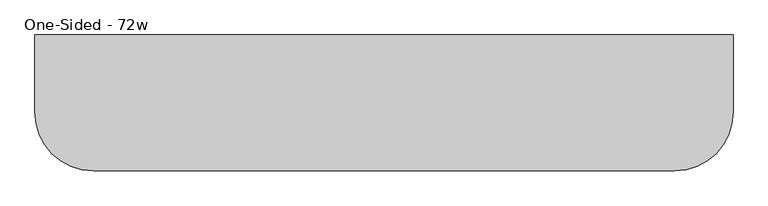
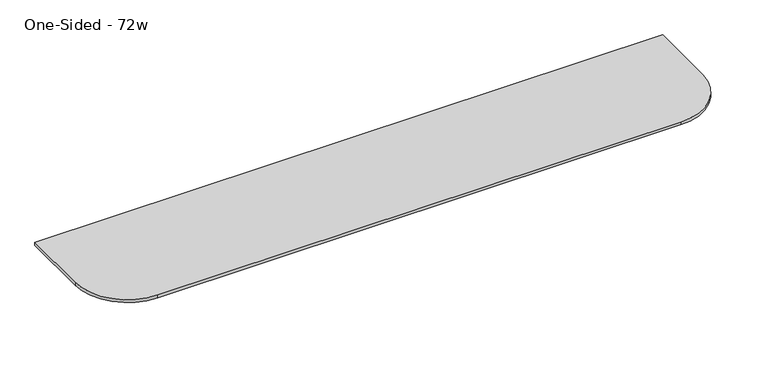
"""IFC4 building model written with IfcOpenShell, lengths in millimetres: furniture geometry, One-Sided - 72w."""

from ifc_helpers import new_model, si_unit, frame, origin, place, context, project, spatial, polyline, circle_curve, outline, extrude, source, transform, mapped, element, save
from ifc_brep_helpers import plane_surface, cylinder_surface, revolved_surface, advanced_brep


def one_sided_72w_f94e3c41(model_context):
    return source(origin(), model_context, "Body", "SolidModel", [
        extrude(outline(polyline([(-205.7292425, 673.1), (-345.4292425, 704.85), (-345.4292425, 711.2), (-205.7292425, 711.2), (-205.7292425, 673.1)])), frame((-364.160823, 0.0, 0.0), z_axis=(1.0, 0.0, 0.0), x_axis=(0.0, 1.0, 0.0)), (0.0, 0.0, 1.0), 82.55),
        extrude(outline(polyline([(-205.7292425, 673.1), (-345.4292425, 704.85), (-345.4292425, 711.2), (-205.7292425, 711.2), (-205.7292425, 673.1)])), frame((340.689177, 0.0, 0.0), z_axis=(1.0, 0.0, 0.0), x_axis=(0.0, 1.0, 0.0)), (0.0, 0.0, 1.0), 82.55),
        extrude(outline(polyline([(-205.7292425, 673.1), (-345.4292425, 704.85), (-345.4292425, 711.2), (-205.7292425, 711.2), (-205.7292425, 673.1)])), frame((-1069.010823, 0.0, 0.0), z_axis=(1.0, 0.0, 0.0), x_axis=(0.0, 1.0, 0.0)), (0.0, 0.0, 1.0), 82.55),
        advanced_brep(
        [(-1237.285823, -307.3292425, 742.95), (-1084.885823, -459.7292425, 742.95), (439.114177, -459.7292425, 742.95), (591.514177, -307.3292425, 742.95), (591.514177, -104.1292425, 742.95), (-1237.285823, -104.1292425, 742.95), (-1186.485823, -104.1292425, 711.2), (540.714177, -104.1292425, 711.2), (540.714177, -307.3292425, 711.2), (439.114177, -408.9292425, 711.2), (-1084.885823, -408.9292425, 711.2), (-1186.485823, -307.3292425, 711.2), (-1237.285823, -104.1292425, 734.45116), (-1237.285823, -307.3292425, 734.45116), (-1084.885823, -459.7292425, 734.45116), (439.114177, -459.7292425, 734.45116), (591.514177, -307.3292425, 734.45116), (591.514177, -104.1292425, 734.45116)],
        [
            (0, 1, circle_curve(frame((-1084.885823, -307.3292425, 742.95), z_axis=(0.0, 0.0, 1.0), x_axis=(1.0, 0.0, 0.0)), 152.4)),
            (1, 2),
            (2, 3, circle_curve(frame((439.114177, -307.3292425, 742.95), z_axis=(0.0, 0.0, 1.0), x_axis=(1.0, 0.0, 0.0)), 152.4)),
            (3, 4),
            (4, 5),
            (5, 0),
            (6, 7),
            (7, 8),
            (8, 9, circle_curve(frame((439.114177, -307.3292425, 711.2), z_axis=(0.0, 0.0, -1.0), x_axis=(0.0, -1.0, 0.0)), 101.6)),
            (9, 10),
            (10, 11, circle_curve(frame((-1084.885823, -307.3292425, 711.2), z_axis=(0.0, 0.0, -1.0), x_axis=(-1.0, 0.0, 0.0)), 101.6)),
            (11, 6),
            (5, 12),
            (12, 13),
            (13, 0),
            (1, 14),
            (14, 15),
            (15, 2),
            (3, 16),
            (16, 17),
            (17, 4),
            (13, 14, circle_curve(frame((-1084.885823, -307.3292425, 734.45116), z_axis=(0.0, 0.0, 1.0), x_axis=(1.0, 0.0, 0.0)), 152.4)),
            (15, 16, circle_curve(frame((439.114177, -307.3292425, 734.45116), z_axis=(0.0, 0.0, 1.0), x_axis=(1.0, 0.0, 0.0)), 152.4)),
            (17, 7),
            (6, 12),
            (8, 16),
            (15, 9),
            (11, 13),
            (10, 14),
        ],
        [
            plane_surface(frame((-1237.285823, 73.6707575, 742.95), z_axis=(0.0, 0.0, 1.0), x_axis=(-1.0, 0.0, 0.0))),
            plane_surface(frame((-1237.285823, 73.6707575, 711.2), z_axis=(0.0, 0.0, -1.0), x_axis=(1.0, 0.0, 0.0))),
            plane_surface(frame((-1237.285823, -78.7292425, 742.95), z_axis=(-1.0, 0.0, 0.0), x_axis=(0.0, 0.0, -1.0))),
            plane_surface(frame((-1084.885823, -459.7292425, 742.95), z_axis=(0.0, -1.0, 0.0), x_axis=(0.0, 0.0, -1.0))),
            plane_surface(frame((591.514177, -307.3292425, 742.95), z_axis=(1.0, 0.0, 0.0), x_axis=(0.0, 0.0, -1.0))),
            cylinder_surface(frame((-1084.885823, -307.3292425, 711.2), z_axis=(0.0, 0.0, 1.0), x_axis=(1.0, 0.0, 0.0)), 152.4),
            cylinder_surface(frame((439.114177, -307.3292425, 711.2), z_axis=(0.0, 0.0, 1.0), x_axis=(1.0, 0.0, 0.0)), 152.4),
            plane_surface(frame((-1237.285823, -104.1292425, 946.15), z_axis=(0.0, 1.0, 0.0), x_axis=(0.0, 0.0, -1.0))),
            revolved_surface(polyline([(439.114177, -325.686944, 673.1), (439.114177, -459.7292425, 734.45116)]), (439.114177, -307.3292425, 742.95), (0.0, 0.0, 1.0)),
            plane_surface(frame((591.514177, -307.3292425, 734.45116), z_axis=(0.4161787475539382, 0.0, -0.9092828218351183), x_axis=(0.0, 1.0, 0.0))),
            plane_surface(frame((-1237.285823, -78.7292425, 734.45116), z_axis=(-0.4161787475539382, 0.0, -0.9092828218351183), x_axis=(0.0, -1.0, 0.0))),
            revolved_surface(polyline([(-1103.2435246, -307.3292425, 673.1), (-1237.285823, -307.3292425, 734.45116)]), (-1084.885823, -307.3292425, 742.95), (0.0, 0.0, 1.0)),
            plane_surface(frame((-1084.885823, -459.7292425, 734.45116), z_axis=(0.0, -0.4161787475539382, -0.9092828218351183), x_axis=(1.0, 0.0, 0.0))),
        ],
        [
            (0, [[1, 2, 3, 4, 5, 6]]),
            (1, [[7, 8, 9, 10, 11, 12]]),
            (2, [[-6, 13, 14, 15]]),
            (3, [[-2, 16, 17, 18]]),
            (4, [[-4, 19, 20, 21]]),
            (5, [[-1, -15, 22, -16]]),
            (6, [[-3, -18, 23, -19]]),
            (7, [[-5, -21, 24, -7, 25, -13]]),
            (8, [[26, -23, 27, -9]]),
            (9, [[-26, -8, -24, -20]]),
            (10, [[28, -14, -25, -12]]),
            (11, [[-28, -11, 29, -22]]),
            (12, [[-29, -10, -27, -17]]),
        ],
    ),
    ])


if __name__ == "__main__":
    model = new_model("IFC4")
    model_context = context("Model", 3, world=origin())
    ifc_project = project(units=[si_unit("LENGTHUNIT", "METRE", prefix="MILLI")], contexts=[model_context])
    site = spatial("IfcSite", under=ifc_project)
    building = spatial("IfcBuilding", under=site)
    placement = place(None, origin())
    one_sided_72w_shape = one_sided_72w_f94e3c41(model_context)
    element("IfcFurniture", 1, ObjectType="One-Sided - 72w", at=placement, inside=building, context=model_context, shape_type="MappedRepresentation", body=[
        mapped(one_sided_72w_shape, transform((0.0, 0.0, 0.0), x_axis=(1.0, 0.0, 0.0), y_axis=(0.0, 1.0, 0.0), z_axis=(0.0, 0.0, 1.0))),
    ])
    save(model, "model.ifc")
